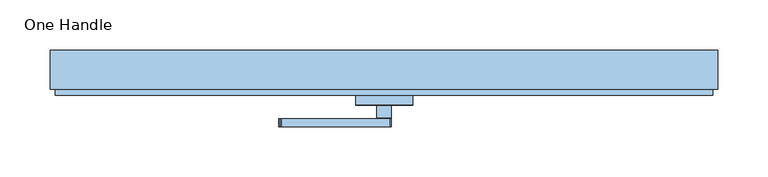
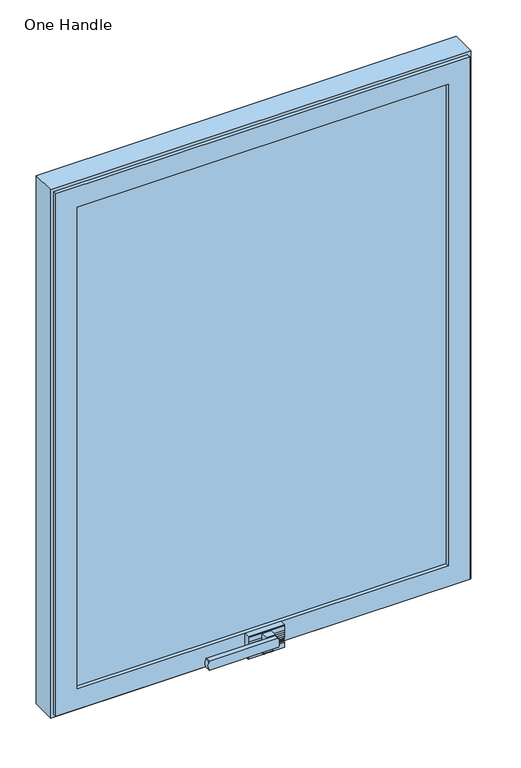
"""IFC4 building model written with IfcOpenShell, lengths in millimetres: window geometry, One Handle."""

from ifc_helpers import new_model, si_unit, point, frame, frame_2d, origin, place, context, project, spatial, polyline, circle_curve, trimmed, segment, composite_curve, outline, extrude, faceted_brep, source, transform, mapped, element, save


def one_handle_01f6a149(model_context):
    return source(origin(), model_context, "Body", "SolidModel", [
        extrude(outline(composite_curve([segment(trimmed(circle_curve(frame_2d((45.5999998, -89.6911346)), 15.3642462), [point((52.5642859, -103.3863447))], [point((38.6357141, -103.3863448))], False, "CARTESIAN"), True, "CONTINUOUS"), segment(trimmed(circle_curve(frame_2d((39.0999998, -102.5006594)), 1.0), [point((38.6357141, -103.3863448))], [point((38.0999998, -102.5006594))], False, "CARTESIAN"), True, "CONTINUOUS"), segment(polyline([(38.0999998, -102.5006594), (38.0999998, 5.9079497)]), True, "CONTINUOUS"), segment(trimmed(circle_curve(frame_2d((39.6231378, 5.7802537)), 1.5284814), [point((38.0999998, 5.9079497))], [point((39.4599611, 7.3))], False, "CARTESIAN"), True, "CONTINUOUS"), segment(polyline([(39.4599611, 7.3), (51.7388122, 7.3)]), True, "CONTINUOUS"), segment(trimmed(circle_curve(frame_2d((51.5756355, 5.7802537)), 1.5284814), [point((51.7388122, 7.3))], [point((53.0999998, 5.8923648))], False, "CARTESIAN"), True, "CONTINUOUS"), segment(polyline([(53.0999998, 5.8923648), (53.0999998, -102.5006594)]), True, "CONTINUOUS"), segment(trimmed(circle_curve(frame_2d((52.0999998, -102.5006594)), 1.0), [point((53.0999998, -102.5006594))], [point((52.5642859, -103.3863447))], False, "CARTESIAN"), True, "CONTINUOUS")], self_intersect=False)), frame((0.0, -51.2000547, 0.0), z_axis=(0.0, 1.0, 0.0), x_axis=(0.0, 0.0, 1.0)), (0.0, 0.0, 1.0), 8.0),
        extrude(outline(polyline([(-25.7000547, 16.85), (-27.7349666, 16.85), (-26.5040521, 28.35), (-25.7000547, 28.35), (-25.7000547, 16.85)])), frame((-28.3843646, 0.0, 0.0), z_axis=(1.0, 0.0, 0.0), x_axis=(0.0, 1.0, 0.0)), (0.0, 0.0, 1.0), 57.1446497),
        extrude(outline(composite_curve([segment(polyline([(-26.5040521, 28.35), (-27.7349666, 16.85), (-29.5500547, 16.85), (-29.5500547, 25.95)]), True, "CONTINUOUS"), segment(trimmed(circle_curve(frame_2d((-29.7285731, 26.6918444)), 0.7630216), [point((-29.5500547, 25.95))], [point((-28.9697314, 26.6120869))], True, "CARTESIAN"), True, "CONTINUOUS"), segment(polyline([(-28.9697314, 26.6120869), (-28.7870694, 28.35), (-26.5040521, 28.35)]), True, "CONTINUOUS")], self_intersect=False)), frame((-28.3843646, 0.0, 0.0), z_axis=(1.0, 0.0, 0.0), x_axis=(0.0, 1.0, 0.0)), (0.0, 0.0, 1.0), 57.1446497),
        extrude(outline(composite_curve([segment(polyline([(-27.7000547, 29.4886763), (-27.7000547, 31.1411903)]), True, "CONTINUOUS"), segment(trimmed(circle_curve(frame_2d((-26.3167338, 32.6385156)), 2.038519), [point((-27.7000547, 31.1411903))], [point((-26.3129949, 30.6))], True, "CARTESIAN"), True, "CONTINUOUS"), segment(polyline([(-26.3129949, 30.6), (-24.0387299, 30.6)]), True, "CONTINUOUS"), segment(trimmed(circle_curve(frame_2d((-25.7000547, 32.6)), 2.6), [point((-24.0387299, 30.6))], [point((-26.8500547, 30.2681552))], False, "CARTESIAN"), True, "CONTINUOUS"), segment(polyline([(-26.8500547, 30.2681552), (-26.8500547, 28.35), (-28.3500547, 28.35)]), True, "CONTINUOUS"), segment(trimmed(circle_curve(frame_2d((-27.288963, 28.4991489)), 1.0715227), [point((-28.3500547, 28.35))], [point((-27.7000547, 29.4886763))], False, "CARTESIAN"), True, "CONTINUOUS")], self_intersect=False)), frame((-28.3843646, 0.0, 0.0), z_axis=(1.0, 0.0, 0.0), x_axis=(0.0, 1.0, 0.0)), (0.0, 0.0, 1.0), 57.1446497),
        extrude(outline(composite_curve([segment(polyline([(-20.0000547, 54.6), (-20.0000547, 30.6), (-26.3129949, 30.6)]), True, "CONTINUOUS"), segment(trimmed(circle_curve(frame_2d((-26.3167338, 32.6385156)), 2.038519), [point((-26.3129949, 30.6))], [point((-28.1864672, 31.8263232))], False, "CARTESIAN"), True, "CONTINUOUS"), segment(trimmed(circle_curve(frame_2d((-24.9088814, 35.6010124)), 4.9990847), [point((-28.1864672, 31.8263232))], [point((-29.9079661, 35.6010124))], False, "CARTESIAN"), True, "CONTINUOUS"), segment(polyline([(-29.9079661, 35.6010124), (-29.9079661, 39.3594071), (-29.7632238, 42.119306), (-29.5793071, 45.626168)]), True, "CONTINUOUS"), segment(trimmed(circle_curve(frame_2d((-227.4030097, 56.0270737)), 198.0969363), [point((-29.5793071, 45.626168))], [point((-29.3273225, 53.1256417))], True, "CARTESIAN"), True, "CONTINUOUS"), segment(polyline([(-29.3273225, 53.1256417), (-29.2500547, 54.6), (-20.0000547, 54.6)]), True, "CONTINUOUS")], self_intersect=False)), frame((-28.3843646, 0.0, 0.0), z_axis=(1.0, 0.0, 0.0), x_axis=(0.0, 1.0, 0.0)), (0.0, 0.0, 1.0), 57.1446497),
        extrude(outline(composite_curve([segment(polyline([(-42.2000547, 51.1), (-42.2000547, 53.1), (-30.2000547, 53.1), (-30.2000547, 22.1)]), True, "CONTINUOUS"), segment(trimmed(circle_curve(frame_2d((-31.2000547, 22.1)), 1.0), [point((-30.2000547, 22.1))], [point((-31.2000547, 21.1))], False, "CARTESIAN"), True, "CONTINUOUS"), segment(polyline([(-31.2000547, 21.1), (-34.2000547, 21.1)]), True, "CONTINUOUS"), segment(trimmed(circle_curve(frame_2d((-34.2000547, 22.1)), 1.0), [point((-34.2000547, 21.1))], [point((-35.2000547, 22.1))], False, "CARTESIAN"), True, "CONTINUOUS"), segment(polyline([(-35.2000547, 22.1), (-35.2000547, 38.1), (-42.2000547, 38.1), (-42.2000547, 40.1), (-43.2000547, 40.1), (-43.2000547, 51.1), (-42.2000547, 51.1)]), True, "CONTINUOUS")], self_intersect=False)), frame((-7.3, 0.0, 0.0), z_axis=(1.0, 0.0, 0.0), x_axis=(0.0, 1.0, 0.0)), (0.0, 0.0, 1.0), 14.6),
        extrude(outline(polyline([(294.132819, 13.9999453), (294.132819, 24.9999453), (316.232819, 24.9999453), (316.232819, 13.9999453), (294.132819, 13.9999453)])), frame((0.0, 0.0, 32.7710044), z_axis=(0.0, 0.0, 1.0), x_axis=(1.0, 0.0, 0.0)), (0.0, 0.0, 1.0), 851.084375),
        extrude(outline(polyline([(-294.132819, 13.9999453), (-294.132819, 24.9999453), (294.1294338, 24.9999453), (294.1294338, 13.9999453), (-294.132819, 13.9999453)])), frame((0.0, 0.0, 32.7710044), z_axis=(0.0, 0.0, 1.0), x_axis=(1.0, 0.0, 0.0)), (0.0, 0.0, 1.0), 22.0),
        extrude(outline(polyline([(-294.132819, 13.9999453), (-294.132819, 24.9999453), (294.1294338, 24.9999453), (294.1294338, 13.9999453), (-294.132819, 13.9999453)])), frame((0.0, 0.0, 851.2587646), z_axis=(0.0, 0.0, 1.0), x_axis=(1.0, 0.0, 0.0)), (0.0, 0.0, 1.0), 32.5966148),
        extrude(outline(polyline([(-294.132819, 13.9999453), (-316.1294338, 13.9999453), (-316.1294338, 24.9999453), (-294.132819, 24.9999453), (-294.132819, 13.9999453)])), frame((0.0, 0.0, 32.7710044), z_axis=(0.0, 0.0, 1.0), x_axis=(1.0, 0.0, 0.0)), (0.0, 0.0, 1.0), 851.084375),
        faceted_brep([(-316.1294338, 24.9999453, 883.8553794), (-316.1294338, 13.9999453, 883.8553794), (-316.1294338, 13.9999453, 32.7710044), (-316.1294338, 24.9999453, 32.7710044), (-328.132819, -20.0000547, 895.8587646), (-328.132819, -13.9998893, 895.8587646), (-328.132819, -13.9998893, 20.7676191), (-328.132819, -20.0000547, 20.7676191), (-294.1294338, 13.9999453, 861.8553794), (-294.1294338, -20.0000547, 861.8553794), (-294.1294338, -20.0000547, 54.7710044), (-294.1294338, 13.9999453, 54.7710044), (316.1294338, 13.9999453, 32.7710044), (316.1294338, 24.9999453, 32.7710044), (328.132819, -13.9998893, 20.7676191), (328.132819, -20.0000547, 20.7676191), (294.1294338, -20.0000547, 54.7710044), (294.1294338, 13.9999453, 54.7710044), (316.1294338, 13.9999453, 883.8553794), (316.1294338, 24.9999453, 883.8553794), (328.132819, -13.9998893, 895.8587646), (328.132819, -20.0000547, 895.8587646), (294.1294338, -20.0000547, 861.8553794), (294.1294338, 13.9999453, 861.8553794), (-333.132819, 24.9999453, 900.8587646), (333.132819, 24.9999453, 900.8587646), (333.132819, 24.9999453, 15.7676191), (-333.132819, 24.9999453, 15.7676191), (-333.132819, -13.9998893, 15.7676191), (333.132819, -13.9998893, 15.7676191), (333.132819, -13.9998893, 900.8587646), (-333.132819, -13.9998893, 900.8587646)], [[[0, 1, 2, 3]], [[4, 5, 6, 7]], [[8, 9, 10, 11]], [[3, 2, 12, 13]], [[7, 6, 14, 15]], [[11, 10, 16, 17]], [[13, 12, 18, 19]], [[15, 14, 20, 21]], [[17, 16, 22, 23]], [[19, 18, 1, 0]], [[24, 25, 26, 27], [3, 13, 19, 0]], [[28, 29, 30, 31], [5, 20, 14, 6]], [[21, 20, 5, 4]], [[7, 15, 21, 4], [9, 22, 16, 10]], [[23, 22, 9, 8]], [[1, 18, 12, 2], [11, 17, 23, 8]], [[31, 24, 27, 28]], [[28, 27, 26, 29]], [[29, 26, 25, 30]], [[30, 25, 24, 31]]]),
        extrude(outline(polyline([(294.1294338, 13.9999453), (294.1294338, -14.0000522), (-294.132819, -14.0000522), (-294.132819, 13.9999453), (294.1294338, 13.9999453)])), frame((0.0, 0.0, 38.4710044), z_axis=(0.0, 0.0, 1.0), x_axis=(1.0, 0.0, 0.0)), (0.0, 0.0, 1.0), 839.584375),
    ])


if __name__ == "__main__":
    model = new_model("IFC4")
    model_context = context("Model", 3, world=origin())
    ifc_project = project(units=[si_unit("LENGTHUNIT", "METRE", prefix="MILLI")], contexts=[model_context])
    site = spatial("IfcSite", under=ifc_project)
    building = spatial("IfcBuilding", under=site)
    placement = place(None, origin())
    one_handle_shape = one_handle_01f6a149(model_context)
    element("IfcWindow", 1, ObjectType="One Handle", at=placement, inside=building, context=model_context, shape_type="MappedRepresentation", body=[
        mapped(one_handle_shape, transform((0.0, 0.0, 0.0), x_axis=(1.0, 0.0, 0.0), y_axis=(0.0, 1.0, 0.0), z_axis=(0.0, 0.0, 1.0))),
    ])
    save(model, "model.ifc")
